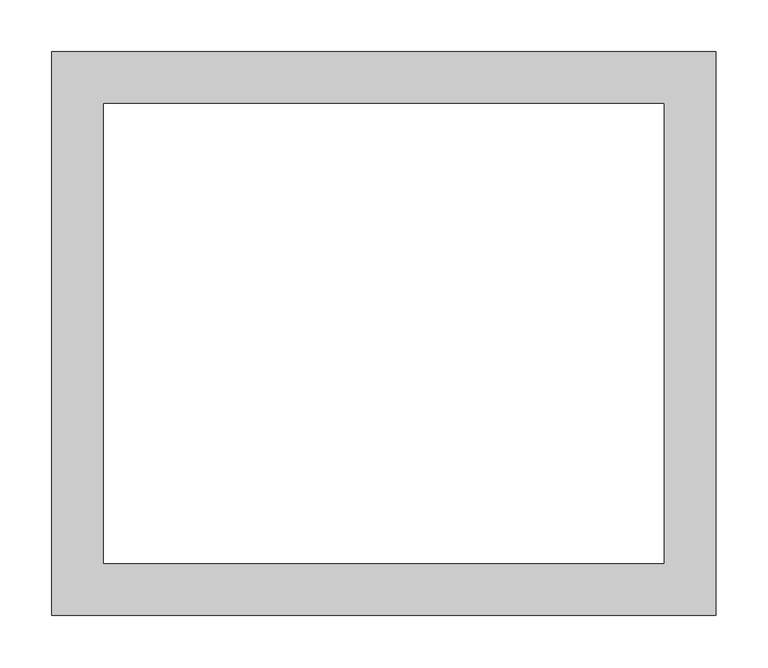
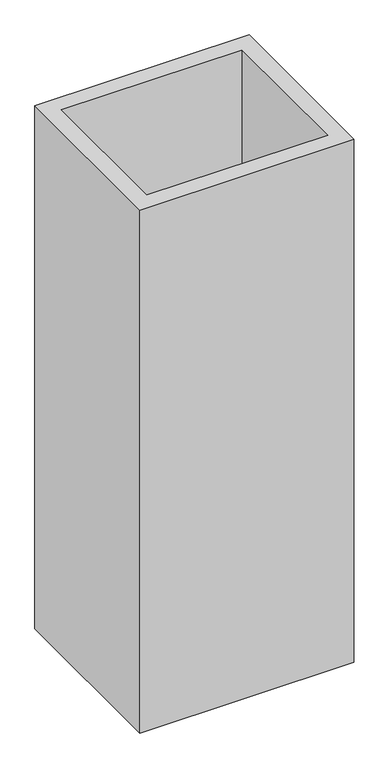
"""IFC4 building model written with IfcOpenShell, lengths in millimetres: proxy geometry."""

from ifc_helpers import new_model, si_unit, origin, origin_with_axes, place, context, project, spatial, polyline, outline, extrude, source, transform, mapped, element, save


def generic_models_cd699051(model_context):
    return source(origin(), model_context, "Body", "SweptSolid", [
        extrude(outline(polyline([(-319.5902887, -250.0), (-319.5902887, 292.7010129), (319.5902887, 292.7010129), (319.5902887, -250.0), (-319.5902887, -250.0)]), holes=[polyline([(-269.5902887, -200.0), (269.5902887, -200.0), (269.5902887, 242.7010129), (-269.5902887, 242.7010129), (-269.5902887, -200.0)])]), origin_with_axes(), (0.0, 0.0, 1.0), 1650.624144),
    ])


if __name__ == "__main__":
    model = new_model("IFC4")
    model_context = context("Model", 3, world=origin())
    ifc_project = project(units=[si_unit("LENGTHUNIT", "METRE", prefix="MILLI")], contexts=[model_context])
    site = spatial("IfcSite", under=ifc_project)
    building = spatial("IfcBuilding", under=site)
    placement = place(None, origin())
    generic_models_shape = generic_models_cd699051(model_context)
    element("IfcBuildingElementProxy", 1, Name="Generic Models", at=placement, inside=building, context=model_context, shape_type="MappedRepresentation", body=[
        mapped(generic_models_shape, transform((0.0, 0.0, 0.0), x_axis=(1.0, 0.0, 0.0), y_axis=(0.0, 1.0, 0.0), z_axis=(0.0, 0.0, 1.0))),
    ])
    save(model, "model.ifc")
